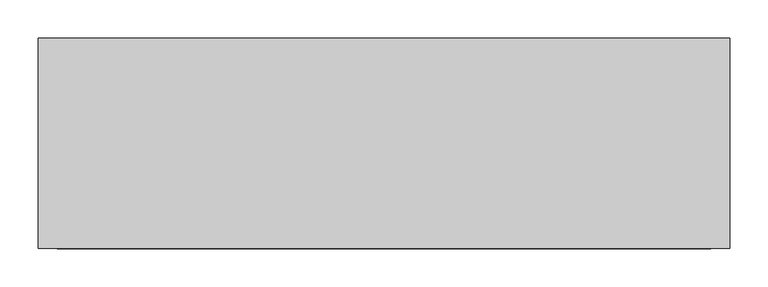
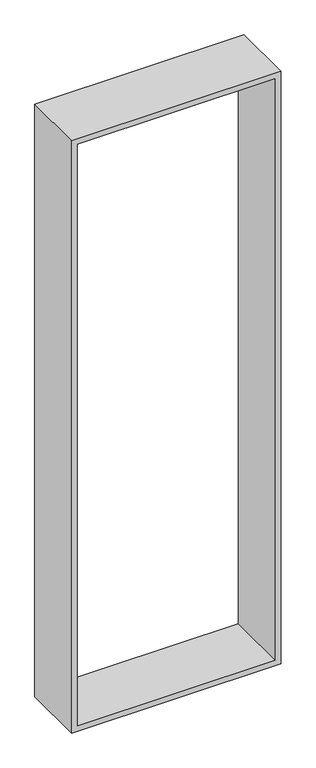
"""IFC4 building model written with IfcOpenShell, lengths in millimetres: proxy geometry."""

from ifc_helpers import new_model, si_unit, frame, origin, place, context, project, spatial, polyline, outline, extrude, source, transform, mapped, element, save


def generic_models_c423d6c5(model_context):
    return source(origin(), model_context, "Body", "SweptSolid", [
        extrude(outline(polyline([(2700.0, 0.0), (2700.0, -903.0), (0.0, -903.0), (0.0, 0.0), (2700.0, 0.0)]), holes=[polyline([(2675.0, -25.0), (25.0, -25.0), (25.0, -878.0), (2675.0, -878.0), (2675.0, -25.0)])]), frame((0.0, 0.0, 0.0), z_axis=(0.0, 1.0, 0.0), x_axis=(0.0, 0.0, 1.0)), (0.0, 0.0, 1.0), 275.0),
    ])


if __name__ == "__main__":
    model = new_model("IFC4")
    model_context = context("Model", 3, world=origin())
    ifc_project = project(units=[si_unit("LENGTHUNIT", "METRE", prefix="MILLI")], contexts=[model_context])
    site = spatial("IfcSite", under=ifc_project)
    building = spatial("IfcBuilding", under=site)
    placement = place(None, origin())
    generic_models_shape = generic_models_c423d6c5(model_context)
    element("IfcBuildingElementProxy", 1, Name="Generic Models", at=placement, inside=building, context=model_context, shape_type="MappedRepresentation", body=[
        mapped(generic_models_shape, transform((0.0, 0.0, 0.0), x_axis=(1.0, 0.0, 0.0), y_axis=(0.0, 1.0, 0.0), z_axis=(0.0, 0.0, 1.0))),
    ])
    save(model, "model.ifc")
